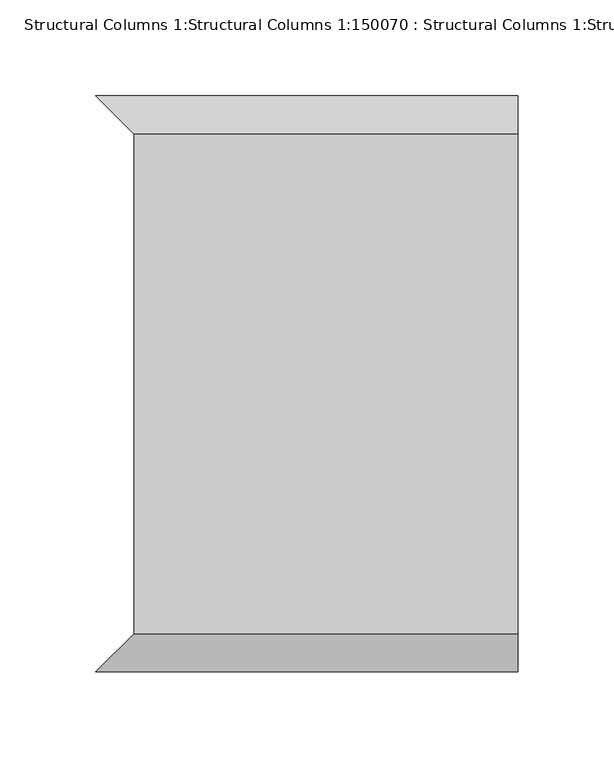
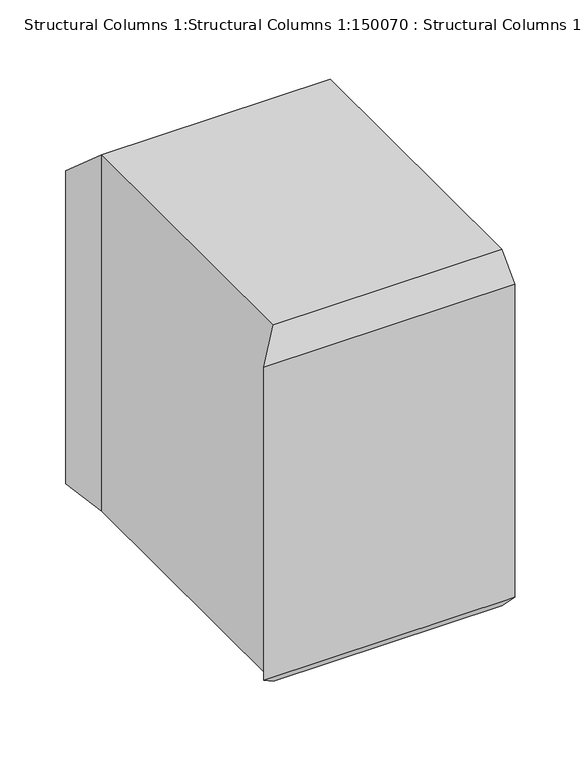
"""IFC4 building model written with IfcOpenShell, lengths in millimetres: column geometry, Structural Columns 1:Structural Columns 1:150070 : Structural Columns 1:Structural Columns 1:150070."""

from ifc_helpers import new_model, si_unit, origin, place, context, project, spatial, faceted_brep, source, transform, mapped, element, save


def structural_columns_1_structural_columns_1_150070_structural_5ae15be5(model_context):
    return source(origin(), model_context, "Body", "Brep", [
        faceted_brep([(350.0, -130.0, 2650.0), (350.0, 130.0, 2650.0), (150.0, 130.0, 2650.0), (150.0, -130.0, 2650.0), (350.0, 130.0, 2320.0), (350.0, -130.0, 2320.0), (150.0, -130.0, 2320.0), (150.0, 130.0, 2320.0), (350.0, -150.0, 2340.0), (350.0, 150.0, 2340.0), (350.0, 150.0, 2630.0), (350.0, -150.0, 2630.0), (130.0, 150.0, 2340.0), (130.0, 150.0, 2630.0), (130.0, -150.0, 2340.0), (130.0, -150.0, 2630.0)], [[[0, 1, 2, 3]], [[4, 5, 6, 7]], [[8, 5, 4, 9, 10, 1, 0, 11]], [[9, 12, 13, 10]], [[14, 8, 11, 15]], [[5, 8, 14, 6]], [[9, 4, 7, 12]], [[1, 10, 13, 2]], [[11, 0, 3, 15]], [[3, 6, 14, 15]], [[6, 3, 2, 7]], [[7, 2, 13, 12]]]),
    ])


if __name__ == "__main__":
    model = new_model("IFC4")
    model_context = context("Model", 3, world=origin())
    ifc_project = project(units=[si_unit("LENGTHUNIT", "METRE", prefix="MILLI")], contexts=[model_context])
    site = spatial("IfcSite", under=ifc_project)
    building = spatial("IfcBuilding", under=site)
    placement = place(None, origin())
    structural_columns_1_structural_columns_1_150070_structural_shape = structural_columns_1_structural_columns_1_150070_structural_5ae15be5(model_context)
    element("IfcColumn", 1, ObjectType="Structural Columns 1:Structural Columns 1:150070 : Structural Columns 1:Structural Columns 1:150070", at=placement, inside=building, context=model_context, shape_type="MappedRepresentation", body=[
        mapped(structural_columns_1_structural_columns_1_150070_structural_shape, transform((0.0, 0.0, 0.0), x_axis=(1.0, 0.0, 0.0), y_axis=(0.0, 1.0, 0.0), z_axis=(0.0, 0.0, 1.0))),
    ])
    save(model, "model.ifc")
